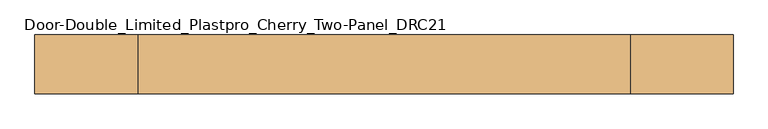
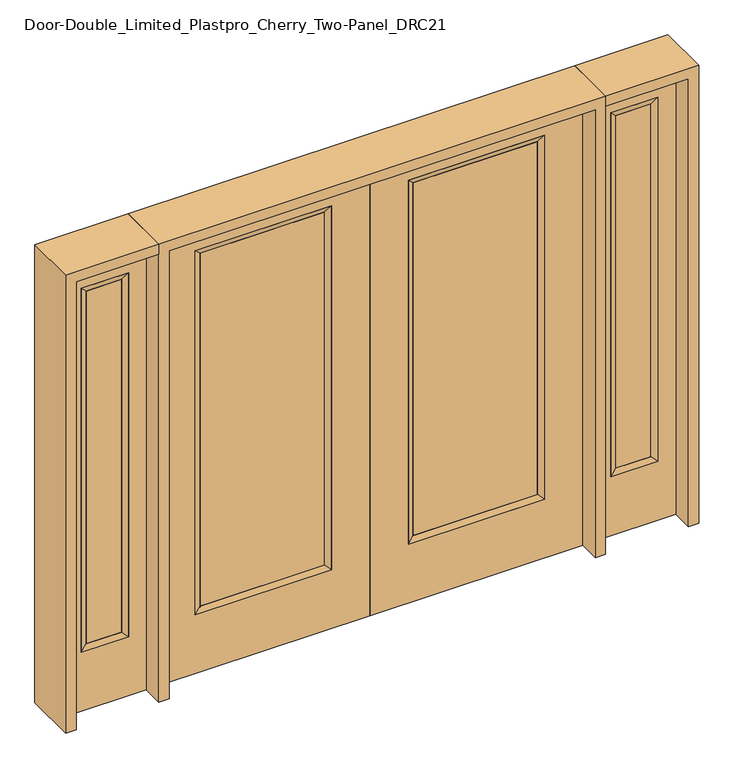
"""IFC4 building model written with IfcOpenShell, lengths in millimetres: door geometry, Door-Double_Limited_Plastpro_Cherry_Two-Panel_DRC21."""

from ifc_helpers import new_model, si_unit, frame, origin, place, context, project, spatial, polyline, outline, extrude, faceted_brep, source, transform, mapped, element, save


def door_double_limited_plastpro_cherry_two_panel_drc21_c2d541de(model_context):
    return source(origin(), model_context, "Body", "SolidModel", [
        extrude(outline(polyline([(190.5, -12.7), (190.5, 12.7), (723.9, 12.7), (723.9, -12.7), (190.5, -12.7)])), frame((0.0, 0.0, 284.95625), z_axis=(0.0, 0.0, 1.0), x_axis=(1.0, 0.0, 0.0)), (0.0, 0.0, 1.0), 1607.34375),
        faceted_brep([(749.3, -22.225, 1917.7), (749.3, -22.225, 266.7), (749.3, 22.225, 266.7), (749.3, 22.225, 1917.7), (165.1, -22.225, 266.7), (165.1, 22.225, 266.7), (190.5, 12.7, 292.1), (723.9, 12.7, 292.1), (165.1, -22.225, 1917.7), (165.1, 22.225, 1917.7), (723.9, -12.7, 292.1), (190.5, -12.7, 292.1), (723.9, -12.7, 1892.3), (190.5, -12.7, 1892.3), (723.9, 12.7, 1892.3), (190.5, 12.7, 1892.3)], [[[0, 1, 2, 3]], [[1, 4, 5, 2]], [[2, 5, 6, 7]], [[4, 8, 9, 5]], [[10, 11, 4, 1]], [[12, 10, 1, 0]], [[11, 13, 8, 4]], [[7, 6, 11, 10]], [[14, 7, 10, 12]], [[6, 15, 13, 11]], [[3, 2, 7, 14]], [[5, 9, 15, 6]], [[8, 0, 3, 9]], [[13, 12, 0, 8]], [[15, 14, 12, 13]], [[9, 3, 14, 15]]]),
        extrude(outline(polyline([(2032.0, 0.0), (0.0, 0.0), (0.0, 914.4), (2032.0, 914.4), (2032.0, 0.0)]), holes=[polyline([(1917.7, 749.3), (266.7, 749.3), (266.7, 165.1), (1917.7, 165.1), (1917.7, 749.3)])]), frame((0.0, -22.225, 0.0), z_axis=(0.0, 1.0, 0.0), x_axis=(0.0, 0.0, 1.0)), (0.0, 0.0, 1.0), 44.45),
        extrude(outline(polyline([(-190.5, -12.7), (-723.9, -12.7), (-723.9, 12.7), (-190.5, 12.7), (-190.5, -12.7)])), frame((0.0, 0.0, 284.95625), z_axis=(0.0, 0.0, 1.0), x_axis=(1.0, 0.0, 0.0)), (0.0, 0.0, 1.0), 1607.34375),
        faceted_brep([(-749.3, -22.225, 1917.7), (-749.3, 22.225, 1917.7), (-749.3, 22.225, 266.7), (-749.3, -22.225, 266.7), (-165.1, 22.225, 266.7), (-165.1, -22.225, 266.7), (-723.9, 12.7, 292.1), (-190.5, 12.7, 292.1), (-165.1, 22.225, 1917.7), (-165.1, -22.225, 1917.7), (-723.9, -12.7, 292.1), (-190.5, -12.7, 292.1), (-723.9, -12.7, 1892.3), (-190.5, -12.7, 1892.3), (-723.9, 12.7, 1892.3), (-190.5, 12.7, 1892.3)], [[[0, 1, 2, 3]], [[3, 2, 4, 5]], [[2, 6, 7, 4]], [[5, 4, 8, 9]], [[10, 3, 5, 11]], [[12, 0, 3, 10]], [[11, 5, 9, 13]], [[6, 10, 11, 7]], [[14, 12, 10, 6]], [[7, 11, 13, 15]], [[1, 14, 6, 2]], [[4, 7, 15, 8]], [[9, 8, 1, 0]], [[13, 9, 0, 12]], [[15, 13, 12, 14]], [[8, 15, 14, 1]]]),
        extrude(outline(polyline([(2032.0, 0.0), (2032.0, -914.4), (0.0, -914.4), (0.0, 0.0), (2032.0, 0.0)]), holes=[polyline([(1917.7, -749.3), (1917.7, -165.1), (266.7, -165.1), (266.7, -749.3), (1917.7, -749.3)])]), frame((0.0, -22.225, 0.0), z_axis=(0.0, 1.0, 0.0), x_axis=(0.0, 0.0, 1.0)), (0.0, 0.0, 1.0), 44.45),
        faceted_brep([(1035.05, 20.6375, 1917.7), (1035.05, 20.6375, 266.7), (1035.05, -20.6375, 266.7), (1035.05, -20.6375, 1917.7), (1060.45, -12.7, 292.1), (1060.45, -12.7, 1892.3), (1238.25, 20.6375, 266.7), (1238.25, -20.6375, 266.7), (1060.45, 12.7, 1892.3), (1060.45, 12.7, 292.1), (1212.85, 12.7, 292.1), (1212.85, -12.7, 292.1), (1238.25, 20.6375, 1917.7), (1238.25, -20.6375, 1917.7), (1212.85, 12.7, 1892.3), (1212.85, -12.7, 1892.3)], [[[0, 1, 2, 3]], [[3, 2, 4, 5]], [[1, 6, 7, 2]], [[8, 9, 1, 0]], [[9, 10, 6, 1]], [[5, 4, 9, 8]], [[4, 11, 10, 9]], [[2, 7, 11, 4]], [[6, 12, 13, 7]], [[10, 14, 12, 6]], [[11, 15, 14, 10]], [[7, 13, 15, 11]], [[12, 0, 3, 13]], [[14, 8, 0, 12]], [[15, 5, 8, 14]], [[13, 3, 5, 15]]]),
        extrude(outline(polyline([(0.0, 1314.45), (2032.0, 1314.45), (2032.0, 958.85), (0.0, 958.85), (0.0, 1314.45)]), holes=[polyline([(1917.7, 1035.05), (1917.7, 1238.25), (266.7, 1238.25), (266.7, 1035.05), (1917.7, 1035.05)])]), frame((0.0, -20.6375, 0.0), z_axis=(0.0, 1.0, 0.0), x_axis=(0.0, 0.0, 1.0)), (0.0, 0.0, 1.0), 41.275),
        extrude(outline(polyline([(1060.45, -12.7), (1060.45, 12.7), (1212.85, 12.7), (1212.85, -12.7), (1060.45, -12.7)])), frame((0.0, 0.0, 292.1), z_axis=(0.0, 0.0, 1.0), x_axis=(1.0, 0.0, 0.0)), (0.0, 0.0, 1.0), 1600.2),
        faceted_brep([(-1035.05, 20.6375, 1917.7), (-1035.05, -20.6375, 1917.7), (-1035.05, -20.6375, 266.7), (-1035.05, 20.6375, 266.7), (-1060.45, -12.7, 1892.3), (-1060.45, -12.7, 292.1), (-1238.25, -20.6375, 266.7), (-1238.25, 20.6375, 266.7), (-1060.45, 12.7, 1892.3), (-1060.45, 12.7, 292.1), (-1212.85, 12.7, 292.1), (-1212.85, -12.7, 292.1), (-1238.25, -20.6375, 1917.7), (-1238.25, 20.6375, 1917.7), (-1212.85, 12.7, 1892.3), (-1212.85, -12.7, 1892.3)], [[[0, 1, 2, 3]], [[1, 4, 5, 2]], [[3, 2, 6, 7]], [[8, 0, 3, 9]], [[9, 3, 7, 10]], [[4, 8, 9, 5]], [[5, 9, 10, 11]], [[2, 5, 11, 6]], [[7, 6, 12, 13]], [[10, 7, 13, 14]], [[11, 10, 14, 15]], [[6, 11, 15, 12]], [[13, 12, 1, 0]], [[14, 13, 0, 8]], [[15, 14, 8, 4]], [[12, 15, 4, 1]]]),
        extrude(outline(polyline([(0.0, -1314.45), (0.0, -958.85), (2032.0, -958.85), (2032.0, -1314.45), (0.0, -1314.45)]), holes=[polyline([(1917.7, -1035.05), (266.7, -1035.05), (266.7, -1238.25), (1917.7, -1238.25), (1917.7, -1035.05)])]), frame((0.0, -20.6375, 0.0), z_axis=(0.0, 1.0, 0.0), x_axis=(0.0, 0.0, 1.0)), (0.0, 0.0, 1.0), 41.275),
        extrude(outline(polyline([(-1060.45, -12.7), (-1212.85, -12.7), (-1212.85, 12.7), (-1060.45, 12.7), (-1060.45, -12.7)])), frame((0.0, 0.0, 292.1), z_axis=(0.0, 0.0, 1.0), x_axis=(1.0, 0.0, 0.0)), (0.0, 0.0, 1.0), 1600.2),
        extrude(outline(polyline([(2032.0, -958.85), (2076.45, -958.85), (2076.45, -1358.9), (0.0, -1358.9), (0.0, -1314.45), (2032.0, -1314.45), (2032.0, -958.85)])), frame((0.0, -114.3, 0.0), z_axis=(0.0, 1.0, 0.0), x_axis=(0.0, 0.0, 1.0)), (0.0, 0.0, 1.0), 228.6),
        extrude(outline(polyline([(2076.45, -958.85), (0.0, -958.85), (0.0, -914.4), (2032.0, -914.4), (2032.0, 914.4), (0.0, 914.4), (0.0, 958.85), (2076.45, 958.85), (2076.45, -958.85)])), frame((0.0, -114.3, 0.0), z_axis=(0.0, 1.0, 0.0), x_axis=(0.0, 0.0, 1.0)), (0.0, 0.0, 1.0), 228.6),
        extrude(outline(polyline([(0.0, 1314.45), (0.0, 1358.9), (2076.45, 1358.9), (2076.45, 958.85), (2032.0, 958.85), (2032.0, 1314.45), (0.0, 1314.45)])), frame((0.0, -114.3, 0.0), z_axis=(0.0, 1.0, 0.0), x_axis=(0.0, 0.0, 1.0)), (0.0, 0.0, 1.0), 228.6),
    ])


if __name__ == "__main__":
    model = new_model("IFC4")
    model_context = context("Model", 3, world=origin())
    ifc_project = project(units=[si_unit("LENGTHUNIT", "METRE", prefix="MILLI")], contexts=[model_context])
    site = spatial("IfcSite", under=ifc_project)
    building = spatial("IfcBuilding", under=site)
    placement = place(None, origin())
    door_double_limited_plastpro_cherry_two_panel_drc21_shape = door_double_limited_plastpro_cherry_two_panel_drc21_c2d541de(model_context)
    element("IfcDoor", 1, ObjectType="Door-Double_Limited_Plastpro_Cherry_Two-Panel_DRC21", at=placement, inside=building, context=model_context, shape_type="MappedRepresentation", body=[
        mapped(door_double_limited_plastpro_cherry_two_panel_drc21_shape, transform((0.0, 0.0, 0.0), x_axis=(1.0, 0.0, 0.0), y_axis=(0.0, 1.0, 0.0), z_axis=(0.0, 0.0, 1.0))),
    ])
    save(model, "model.ifc")
